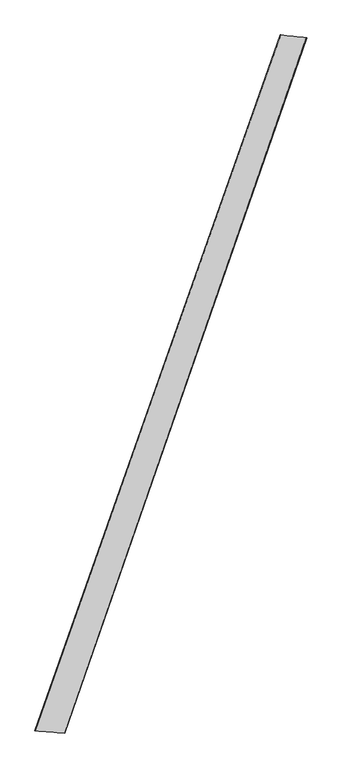
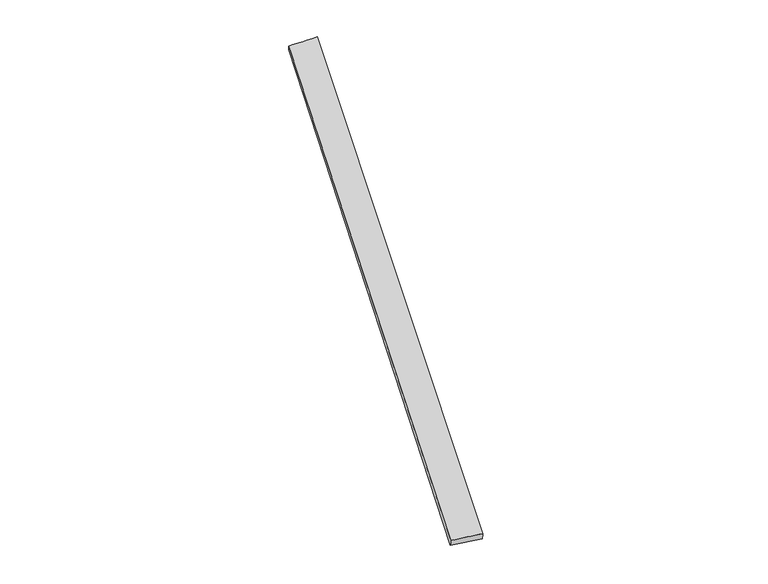
"""IFC4 building model written with IfcOpenShell, lengths in millimetres: proxy geometry."""

from ifc_helpers import new_model, si_unit, origin, place, context, project, spatial, source, transform, mapped, element, save
from ifc_brep_helpers import spline_surface, advanced_brep


def generic_models_2f528cbd(model_context):
    return source(origin(), model_context, "Body", "AdvancedBrep", [
        advanced_brep(
        [(-715.6884319, -1813.0773609, 5.8421746), (-714.2670247, -1813.48749, 35.8056757), (703.0621706, 2208.9198424, 23.4784022), (704.4609011, 2208.334054, -6.4832467), (-542.444879, -1826.9767368, 24.0246096), (852.7858562, 2191.8459562, 36.2762056), (-544.9838155, -1825.9992385, -5.851774), (856.2113464, 2190.7425455, 6.4928461)],
        [
            (0, 1),
            (1, 2),
            (2, 3),
            (3, 0),
            (1, 4),
            (4, 5),
            (5, 2),
            (4, 6),
            (6, 7),
            (7, 5),
            (6, 0),
            (3, 7),
        ],
        [
            spline_surface(1, 1, [[(-715.6884319, -1813.0773609, 5.8421746), (704.4609011, 2208.334054, -6.4832467)], [(-714.2670247, -1813.48749, 35.8056757), (703.0621706, 2208.9198424, 23.4784022)]], [2, 2], [2, 2], [0.0, 1.0], [0.0, 1.0]),
            spline_surface(1, 1, [[(-714.2670247, -1813.48749, 35.8056757), (703.0621706, 2208.9198424, 23.4784022)], [(-542.444879, -1826.9767368, 24.0246096), (852.7858562, 2191.8459562, 36.2762056)]], [2, 2], [2, 2], [0.0, 1.0], [0.0, 1.0]),
            spline_surface(1, 1, [[(-542.444879, -1826.9767368, 24.0246096), (852.7858562, 2191.8459562, 36.2762056)], [(-544.9838155, -1825.9992385, -5.851774), (856.2113464, 2190.7425455, 6.4928461)]], [2, 2], [2, 2], [0.0, 1.0], [0.0, 1.0]),
            spline_surface(1, 1, [[(-544.9838155, -1825.9992385, -5.851774), (856.2113464, 2190.7425455, 6.4928461)], [(-715.6884319, -1813.0773609, 5.8421746), (704.4609011, 2208.334054, -6.4832467)]], [2, 2], [2, 2], [0.0, 1.0], [0.0, 1.0]),
            spline_surface(1, 1, [[(703.0621706, 2208.9198424, 23.4784022), (704.4609011, 2208.334054, -6.4832467)], [(852.7858562, 2191.8459562, 36.2762056), (856.2113464, 2190.7425455, 6.4928461)]], [2, 2], [2, 2], [0.0, 1.0], [0.0, 1.0]),
            spline_surface(1, 1, [[(-544.9838155, -1825.9992385, -5.851774), (-715.6884319, -1813.0773609, 5.8421746)], [(-542.444879, -1826.9767368, 24.0246096), (-714.2670247, -1813.48749, 35.8056757)]], [2, 2], [2, 2], [0.0, 1.0], [0.0, 1.0]),
        ],
        [
            (0, [[1, 2, 3, 4]]),
            (1, [[5, 6, 7, -2]]),
            (2, [[8, 9, 10, -6]]),
            (3, [[11, -4, 12, -9]]),
            (4, [[-3, -7, -10, -12]]),
            (5, [[-11, -8, -5, -1]]),
        ],
    ),
    ])


if __name__ == "__main__":
    model = new_model("IFC4")
    model_context = context("Model", 3, world=origin())
    ifc_project = project(units=[si_unit("LENGTHUNIT", "METRE", prefix="MILLI")], contexts=[model_context])
    site = spatial("IfcSite", under=ifc_project)
    building = spatial("IfcBuilding", under=site)
    placement = place(None, origin())
    generic_models_shape = generic_models_2f528cbd(model_context)
    element("IfcBuildingElementProxy", 1, Name="Generic Models", at=placement, inside=building, context=model_context, shape_type="MappedRepresentation", body=[
        mapped(generic_models_shape, transform((0.0, 0.0, 0.0), x_axis=(1.0, 0.0, 0.0), y_axis=(0.0, 1.0, 0.0), z_axis=(0.0, 0.0, 1.0))),
    ])
    save(model, "model.ifc")
